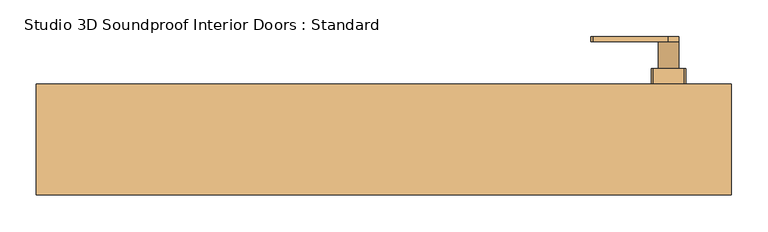
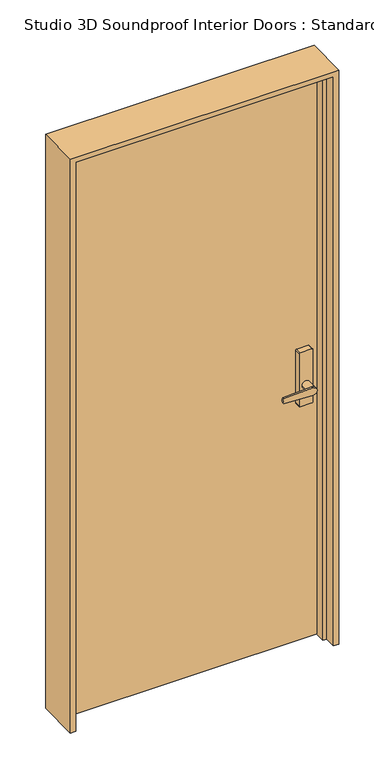
"""IFC4 building model written with IfcOpenShell, lengths in millimetres: door geometry, Studio 3D Soundproof Interior Doors : Standard."""

import ifcopenshell
import ifcopenshell.guid

model = None  # the IFC model being written
_history = None  # IfcOwnerHistory: only IFC2X3 demands one
_inside = {}  # id of a spatial element -> (the spatial element, [elements in it])
_under = {}  # id of a project, library or spatial element -> (it, [spatial elements below it])
_declared = {}  # id of a project -> (the project, [libraries it declares])
_typed = {}  # id of a type object -> (the type object, [elements of that type])
_made_of = {}  # id of a material, layer set ... -> (it, [elements and type objects made of it])


def new_model(schema):
    """Start an empty IFC model of exactly this schema.

    Asked for "IFC4X3", IfcOpenShell would pick the latest addendum, in which some entities
    have other attributes; the version numbers below select the first issue.
    IFC2X3 requires an IfcOwnerHistory on every rooted entity: one is made here for all.
    """
    global model, _history
    if schema == "IFC4X3":
        model = ifcopenshell.file(schema_version=(4, 3, 0, 0))
    else:
        model = ifcopenshell.file(schema=schema)
    _inside.clear()
    _under.clear()
    _declared.clear()
    _typed.clear()
    _made_of.clear()
    _history = None
    if model.schema == "IFC2X3":
        org = make("IfcOrganization", Name="unknown")
        user = make(
            "IfcPersonAndOrganization",
            ThePerson=make("IfcPerson", FamilyName="unknown"),
            TheOrganization=org,
        )
        app = make(
            "IfcApplication",
            ApplicationDeveloper=org,
            Version="unknown",
            ApplicationFullName="unknown",
            ApplicationIdentifier="unknown",
        )
        _history = make(
            "IfcOwnerHistory",
            OwningUser=user,
            OwningApplication=app,
            ChangeAction="ADDED",
            CreationDate=0,
        )
    return model


def make(cls, **values):
    """One entity of the class cls with the attributes given. An attribute that is None is left unset."""
    return model.create_entity(
        cls, **{name: value for name, value in values.items() if value is not None}
    )


def rooted(cls, **values):
    """An entity with a GlobalId (a new one), such as an element, a storey or a relation."""
    return make(cls, GlobalId=ifcopenshell.guid.new(), OwnerHistory=_history, **values)


def si_unit(unit_type, name, prefix=None):
    """IfcSIUnit, for example si_unit("LENGTHUNIT", "METRE", prefix="MILLI")."""
    return make("IfcSIUnit", UnitType=unit_type, Prefix=prefix, Name=name)


def assignment(units):
    """IfcUnitAssignment: the units of a project."""
    return None if units is None else make("IfcUnitAssignment", Units=units)


def point(xyz):
    """IfcCartesianPoint."""
    return None if xyz is None else make("IfcCartesianPoint", Coordinates=xyz)


def direction(xyz):
    """IfcDirection."""
    return None if xyz is None else make("IfcDirection", DirectionRatios=xyz)


def frame(location, z_axis=None, x_axis=None):
    """IfcAxis2Placement3D, a coordinate frame: its origin and axes. An axis left out is left unset."""
    return make(
        "IfcAxis2Placement3D",
        Location=point(location),
        Axis=direction(z_axis),
        RefDirection=direction(x_axis),
    )


def frame_2d(location, x_axis=None):
    """IfcAxis2Placement2D, a coordinate frame in the plane: its origin and x axis."""
    return make(
        "IfcAxis2Placement2D", Location=point(location), RefDirection=direction(x_axis)
    )


def origin():
    """The frame at (0, 0, 0) with its axes left unset."""
    return frame((0.0, 0.0, 0.0))


def origin_with_axes():
    """The frame at (0, 0, 0) with the z axis (0, 0, 1) and the x axis (1, 0, 0) written out."""
    return frame((0.0, 0.0, 0.0), z_axis=(0.0, 0.0, 1.0), x_axis=(1.0, 0.0, 0.0))


def place(relative_to, where):
    """IfcLocalPlacement: puts the frame where relative to a parent placement (None: the world)."""
    return make(
        "IfcLocalPlacement", PlacementRelTo=relative_to, RelativePlacement=where
    )


def context(
    kind, dimensions, precision=None, world=None, true_north=None, identifier=None
):
    """IfcGeometricRepresentationContext, for example the 3D "Model" context."""
    return make(
        "IfcGeometricRepresentationContext",
        ContextIdentifier=identifier,
        ContextType=kind,
        CoordinateSpaceDimension=dimensions,
        Precision=precision,
        WorldCoordinateSystem=world,
        TrueNorth=true_north,
    )


def project(units=None, contexts=None):
    """IfcProject with its units and contexts."""
    return rooted(
        "IfcProject",
        Name="project",
        RepresentationContexts=contexts,
        UnitsInContext=assignment(units),
    )


def spatial(cls, under=None, at=None, **own):
    """A site, building, storey or space (cls), placed at a placement, below another one or the project."""
    s = rooted(cls, ObjectPlacement=at, **own)
    if under is not None:
        _under.setdefault(under.id(), (under, []))[1].append(s)
    return s


def polyline(points):
    """IfcPolyline through the points."""
    return make("IfcPolyline", Points=[point(p) for p in points])


def circle_curve(where, radius):
    """IfcCircle in the frame where."""
    return make("IfcCircle", Position=where, Radius=radius)


def trimmed(basis, trim1, trim2, sense, master):
    """IfcTrimmedCurve: the piece of a basis curve between two trims."""
    return make(
        "IfcTrimmedCurve",
        BasisCurve=basis,
        Trim1=trim1,
        Trim2=trim2,
        SenseAgreement=sense,
        MasterRepresentation=master,
    )


def segment(curve, same_sense, transition):
    """IfcCompositeCurveSegment."""
    return make(
        "IfcCompositeCurveSegment",
        Transition=transition,
        SameSense=same_sense,
        ParentCurve=curve,
    )


def composite_curve(segments, self_intersect=None):
    """IfcCompositeCurve: segments joined end to end."""
    return make("IfcCompositeCurve", Segments=segments, SelfIntersect=self_intersect)


def outline(outer, holes=None, kind="AREA"):
    """IfcArbitraryClosedProfileDef: a profile drawn as a closed curve; with holes, ...WithVoids."""
    if holes is None:
        return make("IfcArbitraryClosedProfileDef", ProfileType=kind, OuterCurve=outer)
    return make(
        "IfcArbitraryProfileDefWithVoids",
        ProfileType=kind,
        OuterCurve=outer,
        InnerCurves=holes,
    )


def extrude(swept, where, along, depth):
    """IfcExtrudedAreaSolid: the profile swept, set in the frame where, extruded along a direction by depth."""
    return make(
        "IfcExtrudedAreaSolid",
        SweptArea=swept,
        Position=where,
        ExtrudedDirection=direction(along),
        Depth=depth,
    )


def faces_of(points, faces, orient=None, outer=None):
    """IfcFace entities. A face is a list of loops; a loop is a list of indices into points, from 0.

    orient and outer hold one flag for each loop. By default every Orientation is true, the
    first loop of a face is its IfcFaceOuterBound and the others are IfcFaceBound.
    """
    made = []
    for i, loops in enumerate(faces):
        bounds = []
        for j, loop in enumerate(loops):
            is_outer = j == 0 if outer is None else outer[i][j]
            bounds.append(
                make(
                    "IfcFaceOuterBound" if is_outer else "IfcFaceBound",
                    Bound=make("IfcPolyLoop", Polygon=[points[k] for k in loop]),
                    Orientation=True if orient is None else orient[i][j],
                )
            )
        made.append(make("IfcFace", Bounds=bounds))
    return made


def faceted_brep(points, faces, orient=None, outer=None, voids=None):
    """IfcFacetedBrep: a solid bounded by flat faces; with voids (closed shells), ...WithVoids."""
    shared = [point(p) for p in points]
    hull = make("IfcClosedShell", CfsFaces=faces_of(shared, faces, orient, outer))
    if voids is None:
        return make("IfcFacetedBrep", Outer=hull)
    return make(
        "IfcFacetedBrepWithVoids",
        Outer=hull,
        Voids=[
            make(cls, CfsFaces=faces_of(shared, fs, o, b)) for cls, fs, o, b in voids
        ],
    )


def shape(context_of_items, identifier, shape_type, items):
    """IfcShapeRepresentation: the items that make up one representation, for example the "Body"."""
    return make(
        "IfcShapeRepresentation",
        ContextOfItems=context_of_items,
        RepresentationIdentifier=identifier,
        RepresentationType=shape_type,
        Items=items,
    )


def source(mapping_origin, context_of_items, identifier, shape_type, items):
    """IfcRepresentationMap: a shape defined once, which mapped items show again and again."""
    return make(
        "IfcRepresentationMap",
        MappingOrigin=mapping_origin,
        MappedRepresentation=shape(context_of_items, identifier, shape_type, items),
    )


def transform(
    local_origin,
    x_axis=None,
    y_axis=None,
    z_axis=None,
    scale=None,
    scale2=None,
    scale3=None,
    uniform=True,
):
    """IfcCartesianTransformationOperator3D, or its non-uniform kind. x_axis, y_axis, z_axis: its Axis1, 2, 3."""
    if uniform:
        return make(
            "IfcCartesianTransformationOperator3D",
            Axis1=direction(x_axis),
            Axis2=direction(y_axis),
            LocalOrigin=point(local_origin),
            Scale=scale,
            Axis3=direction(z_axis),
        )
    return make(
        "IfcCartesianTransformationOperator3DnonUniform",
        Axis1=direction(x_axis),
        Axis2=direction(y_axis),
        LocalOrigin=point(local_origin),
        Scale=scale,
        Axis3=direction(z_axis),
        Scale2=scale2,
        Scale3=scale3,
    )


def mapped(mapping_source, mapping_target):
    """IfcMappedItem: shows the shape of a source again, moved by a transform."""
    return make(
        "IfcMappedItem", MappingSource=mapping_source, MappingTarget=mapping_target
    )


def made_of(thing, what):
    """Note that an element or type object is made of a material, layer set ...; save() writes the relation."""
    if what is not None:
        _made_of.setdefault(what.id(), (what, []))[1].append(thing)
    return thing


def element(
    cls,
    number,
    at=None,
    inside=None,
    cuts=None,
    type_object=None,
    material=None,
    context=None,
    identifier="Body",
    shape_type=None,
    held_by="IfcProductDefinitionShape",
    body=None,
    shapes=None,
    **own,
):
    """One element of the class cls, such as IfcWall. Its Tag is "e" and its number.

    at: its placement. inside: the storey or other place that contains it. cuts: it is an
    opening in that element (IfcRelVoidsElement). A single representation is given by context,
    identifier, shape_type and body (its items); several are given by shapes. held_by: the class
    of the entity that holds the representations. save() writes the other relations.
    """
    e = rooted(cls, Tag="e%d" % number, ObjectPlacement=at, **own)
    if body is not None:
        shapes = [shape(context, identifier, shape_type, body)]
    if shapes is not None:
        e.Representation = make(held_by, Representations=shapes)
    if inside is not None:
        _inside.setdefault(inside.id(), (inside, []))[1].append(e)
    if cuts is not None:
        rooted(
            "IfcRelVoidsElement", RelatingBuildingElement=cuts, RelatedOpeningElement=e
        )
    if type_object is not None:
        _typed.setdefault(type_object.id(), (type_object, []))[1].append(e)
    return made_of(e, material)


def aggregate(whole, parts):
    """IfcRelAggregates: a whole, such as a stair, and the parts it consists of."""
    return rooted("IfcRelAggregates", RelatingObject=whole, RelatedObjects=parts)


def save(model, path):
    """Write the relations noted so far, then the file.

    IfcRelAggregates (storeys below a building ...), IfcRelContainedInSpatialStructure (elements
    in a storey), IfcRelDefinesByType, IfcRelAssociatesMaterial and IfcRelDeclares: one each for
    every whole, place, type object, material and project.
    """
    for whole, parts in _under.values():
        aggregate(whole, parts)
    for where, things in _inside.values():
        rooted(
            "IfcRelContainedInSpatialStructure",
            RelatedElements=things,
            RelatingStructure=where,
        )
    for kind, things in _typed.values():
        rooted("IfcRelDefinesByType", RelatedObjects=things, RelatingType=kind)
    for what, things in _made_of.values():
        rooted("IfcRelAssociatesMaterial", RelatedObjects=things, RelatingMaterial=what)
    for by, libraries in _declared.values():
        rooted("IfcRelDeclares", RelatingContext=by, RelatedDefinitions=libraries)
    model.write(path)


def studio_3d_soundproof_interior_doors_standard_24fa350d(model_context):
    return source(origin(), model_context, "Body", "SolidModel", [
        extrude(outline(composite_curve([segment(trimmed(circle_curve(frame_2d((971.3540529, 301.4004793)), 17.2515478), [point((980.8500629, 286.9976429))], [point((961.858043, 286.9976429))], False, "CARTESIAN"), True, "CONTINUOUS"), segment(polyline([(961.858043, 286.9976429), (957.1140902, 390.5562374)]), True, "CONTINUOUS"), segment(trimmed(circle_curve(frame_2d((971.3540529, 390.5282704)), 14.2399902), [point((957.1140902, 390.5562374))], [point((985.5940156, 390.5562374))], False, "CARTESIAN"), True, "CONTINUOUS"), segment(polyline([(985.5940156, 390.5562374), (980.8500629, 286.9976429)]), True, "CONTINUOUS")], self_intersect=False)), frame((0.0, 210.9687888, 0.0), z_axis=(0.0, 1.0, 0.0), x_axis=(0.0, 0.0, 1.0)), (0.0, 0.0, 1.0), 6.9288506),
        extrude(outline(composite_curve([segment(trimmed(circle_curve(frame_2d((971.3540529, 390.5282704)), 14.2399902), [point((971.3540529, 376.2882802))], [point((971.3540529, 404.7682606))], False, "CARTESIAN"), True, "CONTINUOUS"), segment(trimmed(circle_curve(frame_2d((971.3540529, 390.5282704)), 14.2399902), [point((971.3540529, 404.7682606))], [point((971.3540529, 376.2882802))], False, "CARTESIAN"), True, "CONTINUOUS")], self_intersect=False)), frame((0.0, 173.6582345, 0.0), z_axis=(0.0, 1.0, 0.0), x_axis=(0.0, 0.0, 1.0)), (0.0, 0.0, 1.0), 37.3105543),
        extrude(outline(composite_curve([segment(polyline([(1097.9675189, 411.2261984), (1097.9675189, 369.8238016)]), True, "CONTINUOUS"), segment(trimmed(circle_curve(frame_2d((1094.8021823, 369.8238016)), 3.1653366), [point((1097.9675189, 369.8238016))], [point((1094.8021823, 366.658465))], False, "CARTESIAN"), True, "CONTINUOUS"), segment(polyline([(1094.8021823, 366.658465), (898.1753792, 366.658465)]), True, "CONTINUOUS"), segment(trimmed(circle_curve(frame_2d((898.1753792, 369.8238016)), 3.1653366), [point((898.1753792, 366.658465))], [point((895.0100425, 369.8238016))], False, "CARTESIAN"), True, "CONTINUOUS"), segment(polyline([(895.0100425, 369.8238016), (895.0100425, 411.2261984)]), True, "CONTINUOUS"), segment(trimmed(circle_curve(frame_2d((898.1753792, 411.2261984)), 3.1653366), [point((895.0100425, 411.2261984))], [point((898.1753792, 414.391535))], False, "CARTESIAN"), True, "CONTINUOUS"), segment(polyline([(898.1753792, 414.391535), (1094.8021823, 414.391535)]), True, "CONTINUOUS"), segment(trimmed(circle_curve(frame_2d((1094.8021823, 411.2261984)), 3.1653366), [point((1094.8021823, 414.391535))], [point((1097.9675189, 411.2261984))], False, "CARTESIAN"), True, "CONTINUOUS")], self_intersect=False)), frame((0.0, 152.4, 0.0), z_axis=(0.0, 1.0, 0.0), x_axis=(0.0, 0.0, 1.0)), (0.0, 0.0, 1.0), 21.2582345),
        extrude(outline(composite_curve([segment(trimmed(circle_curve(frame_2d((971.3540529, 301.4004793)), 17.2515478), [point((980.8500629, 286.9976429))], [point((961.858043, 286.9976429))], False, "CARTESIAN"), True, "CONTINUOUS"), segment(polyline([(961.858043, 286.9976429), (957.1140902, 390.5562374)]), True, "CONTINUOUS"), segment(trimmed(circle_curve(frame_2d((971.3540529, 390.5282704)), 14.2399902), [point((957.1140902, 390.5562374))], [point((985.5940156, 390.5562374))], False, "CARTESIAN"), True, "CONTINUOUS"), segment(polyline([(985.5940156, 390.5562374), (980.8500629, 286.9976429)]), True, "CONTINUOUS")], self_intersect=False)), frame((0.0, 10.0433876, 0.0), z_axis=(0.0, 1.0, 0.0), x_axis=(0.0, 0.0, 1.0)), (0.0, 0.0, 1.0), 6.9288506),
        extrude(outline(composite_curve([segment(trimmed(circle_curve(frame_2d((971.3540529, 390.5282704)), 14.2399902), [point((971.3540529, 376.2882802))], [point((971.3540529, 404.7682606))], False, "CARTESIAN"), True, "CONTINUOUS"), segment(trimmed(circle_curve(frame_2d((971.3540529, 390.5282704)), 14.2399902), [point((971.3540529, 404.7682606))], [point((971.3540529, 376.2882802))], False, "CARTESIAN"), True, "CONTINUOUS")], self_intersect=False)), frame((0.0, 16.9722383, 0.0), z_axis=(0.0, 1.0, 0.0), x_axis=(0.0, 0.0, 1.0)), (0.0, 0.0, 1.0), 37.3105543),
        extrude(outline(composite_curve([segment(polyline([(1097.9675189, 411.2261984), (1097.9675189, 369.8238016)]), True, "CONTINUOUS"), segment(trimmed(circle_curve(frame_2d((1094.8021823, 369.8238016)), 3.1653366), [point((1097.9675189, 369.8238016))], [point((1094.8021823, 366.658465))], False, "CARTESIAN"), True, "CONTINUOUS"), segment(polyline([(1094.8021823, 366.658465), (898.1753792, 366.658465)]), True, "CONTINUOUS"), segment(trimmed(circle_curve(frame_2d((898.1753792, 369.8238016)), 3.1653366), [point((898.1753792, 366.658465))], [point((895.0100425, 369.8238016))], False, "CARTESIAN"), True, "CONTINUOUS"), segment(polyline([(895.0100425, 369.8238016), (895.0100425, 411.2261984)]), True, "CONTINUOUS"), segment(trimmed(circle_curve(frame_2d((898.1753792, 411.2261984)), 3.1653366), [point((895.0100425, 411.2261984))], [point((898.1753792, 414.391535))], False, "CARTESIAN"), True, "CONTINUOUS"), segment(polyline([(898.1753792, 414.391535), (1094.8021823, 414.391535)]), True, "CONTINUOUS"), segment(trimmed(circle_curve(frame_2d((1094.8021823, 411.2261984)), 3.1653366), [point((1094.8021823, 414.391535))], [point((1097.9675189, 411.2261984))], False, "CARTESIAN"), True, "CONTINUOUS")], self_intersect=False)), frame((0.0, 54.2827925, 0.0), z_axis=(0.0, 1.0, 0.0), x_axis=(0.0, 0.0, 1.0)), (0.0, 0.0, 1.0), 21.2582345),
        extrude(outline(polyline([(457.2000762, 80.9623381), (-457.2000762, 80.9623381), (-457.2000762, 152.4), (457.2000762, 152.4), (457.2000762, 80.9623381)])), origin_with_axes(), (0.0, 0.0, 1.0), 2133.8977325),
        faceted_brep([(-476.25, 0.0, 0.0), (-476.25, 152.4, 0.0), (-457.2000762, 152.4, 0.0), (-457.2000762, 80.9623381, 0.0), (-444.4999238, 80.9623381, 0.0), (-444.4999238, 42.8622492, 0.0), (-457.2000176, 42.8622492, 0.0), (-457.2000176, 0.0, 0.0), (-476.25, 0.0, 2152.9476562), (-476.25, 152.4, 2152.9476562), (476.25, 152.4, 2152.9476562), (476.25, 152.4, 0.0), (457.2000762, 152.4, 0.0), (457.2000762, 152.4, 2133.8977325), (-457.2000762, 152.4, 2133.8977325), (-457.2000762, 80.9623381, 2133.8977325), (457.2000762, 80.9623381, 2133.8977325), (457.2000762, 80.9623381, 0.0), (444.4999238, 80.9623381, 0.0), (444.4999238, 80.9623381, 2121.1975801), (-444.4999238, 80.9623381, 2121.1975801), (-444.4999238, 42.8622492, 2121.1975801), (444.4999238, 42.8622492, 2121.1975801), (444.4999238, 42.8622492, 0.0), (457.2000176, 42.8622492, 0.0), (457.2000176, 42.8622492, 2133.8976738), (-457.2000176, 42.8622492, 2133.8976738), (-457.2000176, 0.0, 2133.8976738), (457.2000176, 0.0, 2133.8976738), (457.2000176, 0.0, 0.0), (476.25, 0.0, 0.0), (476.25, 0.0, 2152.9476562)], [[[0, 1, 2, 3, 4, 5, 6, 7]], [[1, 0, 8, 9]], [[2, 1, 9, 10, 11, 12, 13, 14]], [[3, 2, 14, 15]], [[4, 3, 15, 16, 17, 18, 19, 20]], [[5, 4, 20, 21]], [[6, 5, 21, 22, 23, 24, 25, 26]], [[7, 6, 26, 27]], [[0, 7, 27, 28, 29, 30, 31, 8]], [[10, 31, 30, 11]], [[30, 29, 24, 23, 18, 17, 12, 11]], [[16, 13, 12, 17]], [[22, 19, 18, 23]], [[28, 25, 24, 29]], [[9, 8, 31, 10]], [[15, 14, 13, 16]], [[21, 20, 19, 22]], [[27, 26, 25, 28]]]),
    ])


if __name__ == "__main__":
    model = new_model("IFC4")
    model_context = context("Model", 3, world=origin())
    ifc_project = project(units=[si_unit("LENGTHUNIT", "METRE", prefix="MILLI")], contexts=[model_context])
    site = spatial("IfcSite", under=ifc_project)
    building = spatial("IfcBuilding", under=site)
    placement = place(None, origin())
    studio_3d_soundproof_interior_doors_standard_shape = studio_3d_soundproof_interior_doors_standard_24fa350d(model_context)
    element("IfcDoor", 1, ObjectType="Studio 3D Soundproof Interior Doors : Standard", at=placement, inside=building, context=model_context, shape_type="MappedRepresentation", body=[
        mapped(studio_3d_soundproof_interior_doors_standard_shape, transform((0.0, 0.0, 0.0), x_axis=(1.0, 0.0, 0.0), y_axis=(0.0, 1.0, 0.0), z_axis=(0.0, 0.0, 1.0))),
    ])
    save(model, "model.ifc")
